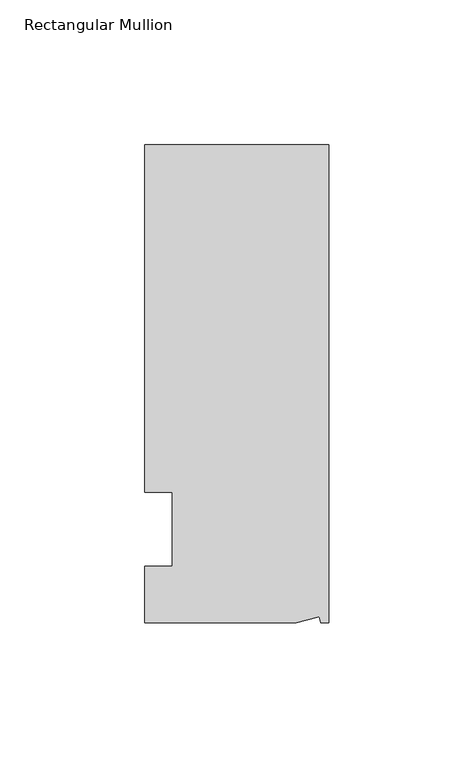
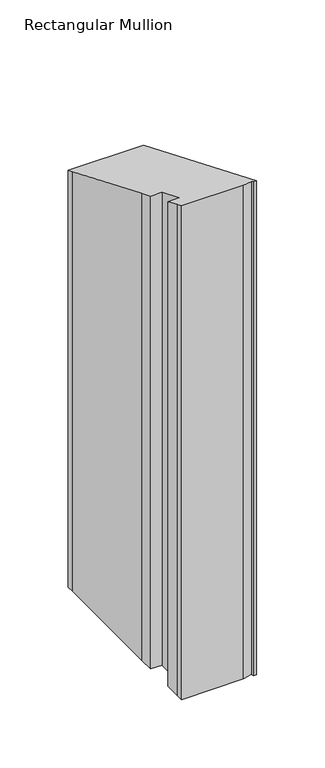
"""IFC4 building model written with IfcOpenShell, lengths in millimetres: member geometry, Rectangular Mullion."""

from ifc_helpers import new_model, si_unit, origin, place, context, project, spatial, faceted_brep, source, transform, mapped, element, save


def rectangular_mullion_3cd387ef(model_context):
    return source(origin(), model_context, "Body", "Brep", [
        faceted_brep([(-3.3457217, -17.5748952, 7.2797599), (-11.1265412, -19.6597595, 8.143339), (-11.1265412, -19.6597595, -431.8), (-3.3457217, -17.5748952, -431.8), (-2.787084, -19.6597595, 8.143339), (-2.787084, -19.6597595, -431.8), (0.0, -19.6597595, 8.143339), (0.0, -19.6597595, -431.8), (0.0, 145.4402405, -60.2433201), (0.0, 145.4402405, -431.8), (-63.5, 145.4402405, -60.2433201), (-63.5, 145.4402405, -431.8), (-63.5, 38.3358837, -15.8792429), (-63.5, 139.0912246, -57.6134716), (-63.5, 139.0912246, -431.8), (-63.5, 38.3358837, -431.8), (-53.975, 25.4, -10.5210245), (-63.5, 25.4, -10.5210245), (-63.5, 25.4, -431.8), (-53.975, 25.4, -431.8), (-53.975, 0.0, 0.0), (-53.975, 0.0, -431.8), (-63.5, 0.0, 0.0), (-63.5, 0.0, -431.8), (-63.5, -13.6093403, 5.6371733), (-63.5, -13.6093403, -431.8), (-63.5, -19.6597595, 8.143339), (-63.5, -19.6597595, -431.8)], [[[0, 1, 2, 3]], [[4, 0, 3, 5]], [[6, 4, 5, 7]], [[8, 6, 7, 9]], [[10, 8, 9, 11]], [[12, 13, 14, 15]], [[16, 17, 18, 19]], [[20, 16, 19, 21]], [[22, 20, 21, 23]], [[24, 22, 23, 25]], [[1, 26, 27, 2]], [[1, 0, 4, 6, 8, 10, 13, 12, 17, 16, 20, 22, 24, 26]], [[2, 27, 25, 23, 21, 19, 18, 15, 14, 11, 9, 7, 5, 3]], [[13, 10, 11, 14]], [[17, 12, 15, 18]], [[26, 24, 25, 27]]]),
    ])


if __name__ == "__main__":
    model = new_model("IFC4")
    model_context = context("Model", 3, world=origin())
    ifc_project = project(units=[si_unit("LENGTHUNIT", "METRE", prefix="MILLI")], contexts=[model_context])
    site = spatial("IfcSite", under=ifc_project)
    building = spatial("IfcBuilding", under=site)
    placement = place(None, origin())
    rectangular_mullion_shape = rectangular_mullion_3cd387ef(model_context)
    element("IfcMember", 1, ObjectType="Rectangular Mullion", at=placement, inside=building, context=model_context, shape_type="MappedRepresentation", body=[
        mapped(rectangular_mullion_shape, transform((0.0, 0.0, 0.0), x_axis=(1.0, 0.0, 0.0), y_axis=(0.0, 1.0, 0.0), z_axis=(0.0, 0.0, 1.0))),
    ])
    save(model, "model.ifc")
